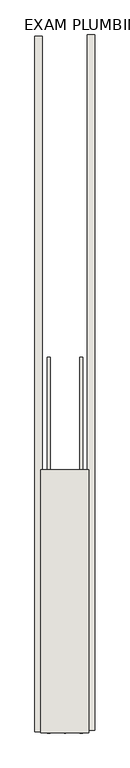
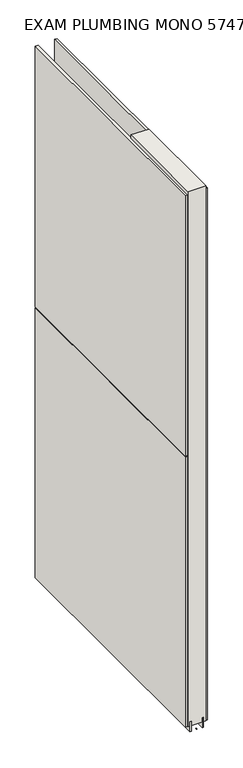
"""IFC4 building model written with IfcOpenShell, lengths in millimetres: wall geometry, EXAM PLUMBING MONO 574713 : EXAM PLUMBING MONO 574713."""

from ifc_helpers import new_model, si_unit, frame, origin, place, context, project, spatial, polyline, outline, extrude, source, transform, mapped, element, save


def exam_plumbing_mono_574713_exam_plumbing_mono_574713_0bc640aa(model_context):
    return source(origin(), model_context, "Body", "SweptSolid", [
        extrude(outline(polyline([(44096.3701002, -41951.3667702), (44096.3701002, -41948.8267702), (44098.9101002, -41948.8267702), (44098.9101002, -41951.3667702), (44096.3701002, -41951.3667702)])), frame((0.0, 0.0, 4419.6), z_axis=(0.0, 0.0, 1.0), x_axis=(1.0, 0.0, 0.0)), (0.0, 0.0, 1.0), 2.54),
        extrude(outline(polyline([(44148.4401002, -40767.8685911), (44148.4401002, -41946.9027329), (44135.7401002, -41946.9027329), (44135.7401002, -40767.8685911), (44148.4401002, -40767.8685911)])), frame((0.0, 0.0, 4445.0), z_axis=(0.0, 0.0, 1.0), x_axis=(1.0, 0.0, 0.0)), (0.0, 0.0, 1.0), 2545.0498756),
        extrude(outline(polyline([(44046.8401002, -41949.3677013), (44046.8401002, -40770.3335595), (44059.5401002, -40770.3335595), (44059.5401002, -41949.3677013), (44046.8401002, -41949.3677013)])), frame((0.0, 0.0, 4445.0), z_axis=(0.0, 0.0, 1.0), x_axis=(1.0, 0.0, 0.0)), (0.0, 0.0, 1.0), 1293.400004),
        extrude(outline(polyline([(44046.8401002, -41949.3677013), (44046.8401002, -40770.3335595), (44059.5401002, -40770.3335595), (44059.5401002, -41949.3677013), (44046.8401002, -41949.3677013)])), frame((0.0, 0.0, 5742.4000722), z_axis=(0.0, 0.0, 1.0), x_axis=(1.0, 0.0, 0.0)), (0.0, 0.0, 1.0), 1247.649905),
        extrude(outline(polyline([(44122.720746, -41951.3773112), (44122.720746, -41314.4208508), (44127.7995014, -41314.4208508), (44127.7995014, -41951.3773112), (44122.720746, -41951.3773112)])), frame((0.0, 0.0, 4418.6602), z_axis=(0.0, 0.0, 1.0), x_axis=(1.0, 0.0, 0.0)), (0.0, 0.0, 1.0), 47.625),
        extrude(outline(polyline([(44122.720746, -41951.3773112), (44122.720746, -41314.4208508), (44127.7995014, -41314.4208508), (44127.7995014, -41951.3773112), (44122.720746, -41951.3773112)])), frame((0.0, 0.0, 4418.6602), z_axis=(0.0, 0.0, 1.0), x_axis=(1.0, 0.0, 0.0)), (0.0, 0.0, 1.0), 47.625),
        extrude(outline(polyline([(44072.556381, -41314.4208508), (44072.556381, -41951.3773112), (44067.4745014, -41951.3773112), (44067.4745014, -41314.4208508), (44072.556381, -41314.4208508)])), frame((0.0, 0.0, 4418.6602), z_axis=(0.0, 0.0, 1.0), x_axis=(1.0, 0.0, 0.0)), (0.0, 0.0, 1.0), 47.625),
        extrude(outline(polyline([(44072.556381, -41314.4208508), (44072.556381, -41951.3773112), (44067.4745014, -41951.3773112), (44067.4745014, -41314.4208508), (44072.556381, -41314.4208508)])), frame((0.0, 0.0, 4418.6602), z_axis=(0.0, 0.0, 1.0), x_axis=(1.0, 0.0, 0.0)), (0.0, 0.0, 1.0), 47.625),
        extrude(outline(polyline([(44138.2918858, -41951.3773112), (44057.0100316, -41951.3773112), (44057.0100316, -41504.9208508), (44138.2918858, -41504.9208508), (44138.2918858, -41951.3773112)])), frame((0.0, 0.0, 4445.0), z_axis=(0.0, 0.0, 1.0), x_axis=(1.0, 0.0, 0.0)), (0.0, 0.0, 1.0), 2562.4536762),
    ])


if __name__ == "__main__":
    model = new_model("IFC4")
    model_context = context("Model", 3, world=origin())
    ifc_project = project(units=[si_unit("LENGTHUNIT", "METRE", prefix="MILLI")], contexts=[model_context])
    site = spatial("IfcSite", under=ifc_project)
    building = spatial("IfcBuilding", under=site)
    placement = place(None, origin())
    exam_plumbing_mono_574713_exam_plumbing_mono_574713_shape = exam_plumbing_mono_574713_exam_plumbing_mono_574713_0bc640aa(model_context)
    element("IfcWall", 1, ObjectType="EXAM PLUMBING MONO 574713 : EXAM PLUMBING MONO 574713", at=placement, inside=building, context=model_context, shape_type="MappedRepresentation", body=[
        mapped(exam_plumbing_mono_574713_exam_plumbing_mono_574713_shape, transform((0.0, 0.0, 0.0), x_axis=(1.0, 0.0, 0.0), y_axis=(0.0, 1.0, 0.0), z_axis=(0.0, 0.0, 1.0))),
    ])
    save(model, "model.ifc")
